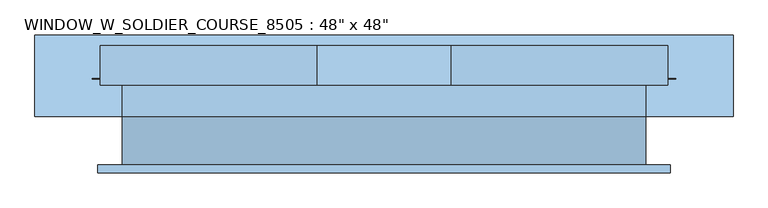
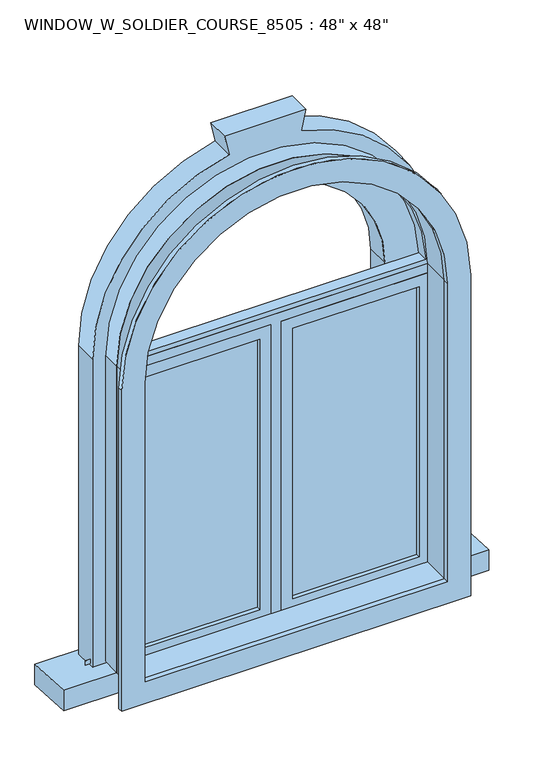
"""IFC4 building model written with IfcOpenShell, lengths in millimetres: window geometry."""

import ifcopenshell
import ifcopenshell.guid

model = None  # the IFC model being written
_history = None  # IfcOwnerHistory: only IFC2X3 demands one
_inside = {}  # id of a spatial element -> (the spatial element, [elements in it])
_under = {}  # id of a project, library or spatial element -> (it, [spatial elements below it])
_declared = {}  # id of a project -> (the project, [libraries it declares])
_typed = {}  # id of a type object -> (the type object, [elements of that type])
_made_of = {}  # id of a material, layer set ... -> (it, [elements and type objects made of it])


def new_model(schema):
    """Start an empty IFC model of exactly this schema.

    Asked for "IFC4X3", IfcOpenShell would pick the latest addendum, in which some entities
    have other attributes; the version numbers below select the first issue.
    IFC2X3 requires an IfcOwnerHistory on every rooted entity: one is made here for all.
    """
    global model, _history
    if schema == "IFC4X3":
        model = ifcopenshell.file(schema_version=(4, 3, 0, 0))
    else:
        model = ifcopenshell.file(schema=schema)
    _inside.clear()
    _under.clear()
    _declared.clear()
    _typed.clear()
    _made_of.clear()
    _history = None
    if model.schema == "IFC2X3":
        org = make("IfcOrganization", Name="unknown")
        user = make(
            "IfcPersonAndOrganization",
            ThePerson=make("IfcPerson", FamilyName="unknown"),
            TheOrganization=org,
        )
        app = make(
            "IfcApplication",
            ApplicationDeveloper=org,
            Version="unknown",
            ApplicationFullName="unknown",
            ApplicationIdentifier="unknown",
        )
        _history = make(
            "IfcOwnerHistory",
            OwningUser=user,
            OwningApplication=app,
            ChangeAction="ADDED",
            CreationDate=0,
        )
    return model


def make(cls, **values):
    """One entity of the class cls with the attributes given. An attribute that is None is left unset."""
    return model.create_entity(
        cls, **{name: value for name, value in values.items() if value is not None}
    )


def rooted(cls, **values):
    """An entity with a GlobalId (a new one), such as an element, a storey or a relation."""
    return make(cls, GlobalId=ifcopenshell.guid.new(), OwnerHistory=_history, **values)


def si_unit(unit_type, name, prefix=None):
    """IfcSIUnit, for example si_unit("LENGTHUNIT", "METRE", prefix="MILLI")."""
    return make("IfcSIUnit", UnitType=unit_type, Prefix=prefix, Name=name)


def assignment(units):
    """IfcUnitAssignment: the units of a project."""
    return None if units is None else make("IfcUnitAssignment", Units=units)


def point(xyz):
    """IfcCartesianPoint."""
    return None if xyz is None else make("IfcCartesianPoint", Coordinates=xyz)


def direction(xyz):
    """IfcDirection."""
    return None if xyz is None else make("IfcDirection", DirectionRatios=xyz)


def frame(location, z_axis=None, x_axis=None):
    """IfcAxis2Placement3D, a coordinate frame: its origin and axes. An axis left out is left unset."""
    return make(
        "IfcAxis2Placement3D",
        Location=point(location),
        Axis=direction(z_axis),
        RefDirection=direction(x_axis),
    )


def frame_2d(location, x_axis=None):
    """IfcAxis2Placement2D, a coordinate frame in the plane: its origin and x axis."""
    return make(
        "IfcAxis2Placement2D", Location=point(location), RefDirection=direction(x_axis)
    )


def origin():
    """The frame at (0, 0, 0) with its axes left unset."""
    return frame((0.0, 0.0, 0.0))


def place(relative_to, where):
    """IfcLocalPlacement: puts the frame where relative to a parent placement (None: the world)."""
    return make(
        "IfcLocalPlacement", PlacementRelTo=relative_to, RelativePlacement=where
    )


def context(
    kind, dimensions, precision=None, world=None, true_north=None, identifier=None
):
    """IfcGeometricRepresentationContext, for example the 3D "Model" context."""
    return make(
        "IfcGeometricRepresentationContext",
        ContextIdentifier=identifier,
        ContextType=kind,
        CoordinateSpaceDimension=dimensions,
        Precision=precision,
        WorldCoordinateSystem=world,
        TrueNorth=true_north,
    )


def project(units=None, contexts=None):
    """IfcProject with its units and contexts."""
    return rooted(
        "IfcProject",
        Name="project",
        RepresentationContexts=contexts,
        UnitsInContext=assignment(units),
    )


def spatial(cls, under=None, at=None, **own):
    """A site, building, storey or space (cls), placed at a placement, below another one or the project."""
    s = rooted(cls, ObjectPlacement=at, **own)
    if under is not None:
        _under.setdefault(under.id(), (under, []))[1].append(s)
    return s


def polyline(points):
    """IfcPolyline through the points."""
    return make("IfcPolyline", Points=[point(p) for p in points])


def circle_curve(where, radius):
    """IfcCircle in the frame where."""
    return make("IfcCircle", Position=where, Radius=radius)


def trimmed(basis, trim1, trim2, sense, master):
    """IfcTrimmedCurve: the piece of a basis curve between two trims."""
    return make(
        "IfcTrimmedCurve",
        BasisCurve=basis,
        Trim1=trim1,
        Trim2=trim2,
        SenseAgreement=sense,
        MasterRepresentation=master,
    )


def segment(curve, same_sense, transition):
    """IfcCompositeCurveSegment."""
    return make(
        "IfcCompositeCurveSegment",
        Transition=transition,
        SameSense=same_sense,
        ParentCurve=curve,
    )


def composite_curve(segments, self_intersect=None):
    """IfcCompositeCurve: segments joined end to end."""
    return make("IfcCompositeCurve", Segments=segments, SelfIntersect=self_intersect)


def outline(outer, holes=None, kind="AREA"):
    """IfcArbitraryClosedProfileDef: a profile drawn as a closed curve; with holes, ...WithVoids."""
    if holes is None:
        return make("IfcArbitraryClosedProfileDef", ProfileType=kind, OuterCurve=outer)
    return make(
        "IfcArbitraryProfileDefWithVoids",
        ProfileType=kind,
        OuterCurve=outer,
        InnerCurves=holes,
    )


def extrude(swept, where, along, depth):
    """IfcExtrudedAreaSolid: the profile swept, set in the frame where, extruded along a direction by depth."""
    return make(
        "IfcExtrudedAreaSolid",
        SweptArea=swept,
        Position=where,
        ExtrudedDirection=direction(along),
        Depth=depth,
    )


def shape(context_of_items, identifier, shape_type, items):
    """IfcShapeRepresentation: the items that make up one representation, for example the "Body"."""
    return make(
        "IfcShapeRepresentation",
        ContextOfItems=context_of_items,
        RepresentationIdentifier=identifier,
        RepresentationType=shape_type,
        Items=items,
    )


def source(mapping_origin, context_of_items, identifier, shape_type, items):
    """IfcRepresentationMap: a shape defined once, which mapped items show again and again."""
    return make(
        "IfcRepresentationMap",
        MappingOrigin=mapping_origin,
        MappedRepresentation=shape(context_of_items, identifier, shape_type, items),
    )


def transform(
    local_origin,
    x_axis=None,
    y_axis=None,
    z_axis=None,
    scale=None,
    scale2=None,
    scale3=None,
    uniform=True,
):
    """IfcCartesianTransformationOperator3D, or its non-uniform kind. x_axis, y_axis, z_axis: its Axis1, 2, 3."""
    if uniform:
        return make(
            "IfcCartesianTransformationOperator3D",
            Axis1=direction(x_axis),
            Axis2=direction(y_axis),
            LocalOrigin=point(local_origin),
            Scale=scale,
            Axis3=direction(z_axis),
        )
    return make(
        "IfcCartesianTransformationOperator3DnonUniform",
        Axis1=direction(x_axis),
        Axis2=direction(y_axis),
        LocalOrigin=point(local_origin),
        Scale=scale,
        Axis3=direction(z_axis),
        Scale2=scale2,
        Scale3=scale3,
    )


def mapped(mapping_source, mapping_target):
    """IfcMappedItem: shows the shape of a source again, moved by a transform."""
    return make(
        "IfcMappedItem", MappingSource=mapping_source, MappingTarget=mapping_target
    )


def made_of(thing, what):
    """Note that an element or type object is made of a material, layer set ...; save() writes the relation."""
    if what is not None:
        _made_of.setdefault(what.id(), (what, []))[1].append(thing)
    return thing


def element(
    cls,
    number,
    at=None,
    inside=None,
    cuts=None,
    type_object=None,
    material=None,
    context=None,
    identifier="Body",
    shape_type=None,
    held_by="IfcProductDefinitionShape",
    body=None,
    shapes=None,
    **own,
):
    """One element of the class cls, such as IfcWall. Its Tag is "e" and its number.

    at: its placement. inside: the storey or other place that contains it. cuts: it is an
    opening in that element (IfcRelVoidsElement). A single representation is given by context,
    identifier, shape_type and body (its items); several are given by shapes. held_by: the class
    of the entity that holds the representations. save() writes the other relations.
    """
    e = rooted(cls, Tag="e%d" % number, ObjectPlacement=at, **own)
    if body is not None:
        shapes = [shape(context, identifier, shape_type, body)]
    if shapes is not None:
        e.Representation = make(held_by, Representations=shapes)
    if inside is not None:
        _inside.setdefault(inside.id(), (inside, []))[1].append(e)
    if cuts is not None:
        rooted(
            "IfcRelVoidsElement", RelatingBuildingElement=cuts, RelatedOpeningElement=e
        )
    if type_object is not None:
        _typed.setdefault(type_object.id(), (type_object, []))[1].append(e)
    return made_of(e, material)


def aggregate(whole, parts):
    """IfcRelAggregates: a whole, such as a stair, and the parts it consists of."""
    return rooted("IfcRelAggregates", RelatingObject=whole, RelatedObjects=parts)


def save(model, path):
    """Write the relations noted so far, then the file.

    IfcRelAggregates (storeys below a building ...), IfcRelContainedInSpatialStructure (elements
    in a storey), IfcRelDefinesByType, IfcRelAssociatesMaterial and IfcRelDeclares: one each for
    every whole, place, type object, material and project.
    """
    for whole, parts in _under.values():
        aggregate(whole, parts)
    for where, things in _inside.values():
        rooted(
            "IfcRelContainedInSpatialStructure",
            RelatedElements=things,
            RelatingStructure=where,
        )
    for kind, things in _typed.values():
        rooted("IfcRelDefinesByType", RelatedObjects=things, RelatingType=kind)
    for what, things in _made_of.values():
        rooted("IfcRelAssociatesMaterial", RelatedObjects=things, RelatingMaterial=what)
    for by, libraries in _declared.values():
        rooted("IfcRelDeclares", RelatingContext=by, RelatedDefinitions=libraries)
    model.write(path)


def window_e7abb76d(model_context):
    return source(origin(), model_context, "Body", "SweptSolid", [
        extrude(outline(composite_curve([segment(polyline([(2152.65, -658.7478419), (857.25, -658.7478419), (857.25, 674.7521581), (2152.65, 674.7521581)]), True, "CONTINUOUS"), segment(trimmed(circle_curve(frame_2d((2152.65, 8.0021581)), 666.75), [point((2152.65, 674.7521581))], [point((2152.65, -658.7478419))], False, "CARTESIAN"), True, "CONTINUOUS")], self_intersect=False), holes=[composite_curve([segment(trimmed(circle_curve(frame_2d((2152.65, 8.0021581)), 577.85), [point((2152.65, -569.8478419))], [point((2152.65, 585.8521581))], True, "CARTESIAN"), True, "CONTINUOUS"), segment(polyline([(2152.65, 585.8521581), (946.15, 585.8521581), (946.15, -569.8478419), (2152.65, -569.8478419)]), True, "CONTINUOUS")], self_intersect=False)]), frame((0.0, -119.05, 0.0), z_axis=(0.0, 1.0, 0.0), x_axis=(0.0, 0.0, 1.0)), (0.0, 0.0, 1.0), 19.05),
        extrude(outline(composite_curve([segment(trimmed(circle_curve(frame_2d((2152.65, 8.0021581)), 590.55), [point((2152.65, 598.5521581))], [point((2152.65, -582.5478419))], False, "CARTESIAN"), True, "CONTINUOUS"), segment(polyline([(2152.65, -582.5478419), (2152.65, 598.5521581)]), True, "CONTINUOUS")], self_intersect=False), holes=[composite_curve([segment(polyline([(2171.6999995, 579.1845698), (2171.6999995, -563.1802537)]), True, "CONTINUOUS"), segment(trimmed(circle_curve(frame_2d((2152.65, 8.0021581)), 571.5), [point((2171.6999995, -563.1802537))], [point((2171.6999995, 579.1845698))], True, "CARTESIAN"), True, "CONTINUOUS")], self_intersect=False)]), frame((0.0, 12.7, 0.0), z_axis=(0.0, 1.0, 0.0), x_axis=(0.0, 0.0, 1.0)), (0.0, 0.0, 1.0), 44.45),
        extrude(outline(composite_curve([segment(polyline([(914.4, -601.5978419), (914.4, 617.6021581), (2152.65, 617.6021581)]), True, "CONTINUOUS"), segment(trimmed(circle_curve(frame_2d((2152.65, 8.0021581)), 609.6), [point((2152.65, 617.6021581))], [point((2152.65, -601.5978419))], False, "CARTESIAN"), True, "CONTINUOUS"), segment(polyline([(2152.65, -601.5978419), (914.4, -601.5978419)]), True, "CONTINUOUS")], self_intersect=False), holes=[composite_curve([segment(polyline([(933.45, -582.5478419), (2152.65, -582.5478419)]), True, "CONTINUOUS"), segment(trimmed(circle_curve(frame_2d((2152.65, 8.0021581)), 590.55), [point((2152.65, -582.5478419))], [point((2152.65, 598.5521581))], True, "CARTESIAN"), True, "CONTINUOUS"), segment(polyline([(2152.65, 598.5521581), (933.45, 598.5521581), (933.45, -582.5478419)]), True, "CONTINUOUS")], self_intersect=False)]), frame((0.0, 12.7, 0.0), z_axis=(0.0, 1.0, 0.0), x_axis=(0.0, 0.0, 1.0)), (0.0, 0.0, 1.0), 87.3),
        extrude(outline(polyline([(71.5021581, 41.275), (554.1021581, 41.275), (554.1021581, 28.575), (71.5021581, 28.575), (71.5021581, 41.275)])), frame((0.0, 0.0, 977.9), z_axis=(0.0, 0.0, 1.0), x_axis=(1.0, 0.0, 0.0)), (0.0, 0.0, 1.0), 1092.2),
        extrude(outline(polyline([(2114.55, 27.0521581), (933.45, 27.0521581), (933.45, 598.5521581), (2114.55, 598.5521581), (2114.55, 27.0521581)]), holes=[polyline([(2070.1, 71.5021581), (2070.1, 554.1021581), (977.9, 554.1021581), (977.9, 71.5021581), (2070.1, 71.5021581)])]), frame((0.0, 12.7, 0.0), z_axis=(0.0, 1.0, 0.0), x_axis=(0.0, 0.0, 1.0)), (0.0, 0.0, 1.0), 44.45),
        extrude(outline(polyline([(933.45, -11.0478419), (933.45, 27.0521581), (2114.55, 27.0521581), (2114.55, 598.5521581), (2152.65, 598.5521581), (2152.65, -582.5478419), (2114.55, -582.5478419), (2114.55, -11.0478419), (933.45, -11.0478419)])), frame((0.0, 12.7, 0.0), z_axis=(0.0, 1.0, 0.0), x_axis=(0.0, 0.0, 1.0)), (0.0, 0.0, 1.0), 63.5),
        extrude(outline(polyline([(-671.4478419, 101.6), (687.4521581, 101.6), (687.4521581, 100.0), (-671.4478419, 100.0), (-671.4478419, 101.6)])), frame((0.0, 0.0, 914.4), z_axis=(0.0, 0.0, 1.0), x_axis=(1.0, 0.0, 0.0)), (0.0, 0.0, 1.0), 19.05),
        extrude(outline(polyline([(-55.4978419, 28.575), (-538.0978419, 28.575), (-538.0978419, 41.275), (-55.4978419, 41.275), (-55.4978419, 28.575)])), frame((0.0, 0.0, 977.9), z_axis=(0.0, 0.0, 1.0), x_axis=(1.0, 0.0, 0.0)), (0.0, 0.0, 1.0), 1092.2),
        extrude(outline(polyline([(2114.55, -582.5478419), (933.45, -582.5478419), (933.45, -11.0478419), (2114.55, -11.0478419), (2114.55, -582.5478419)]), holes=[polyline([(2070.1, -538.0978419), (2070.1, -55.4978419), (977.9, -55.4978419), (977.9, -538.0978419), (2070.1, -538.0978419)])]), frame((0.0, 12.7, 0.0), z_axis=(0.0, 1.0, 0.0), x_axis=(0.0, 0.0, 1.0)), (0.0, 0.0, 1.0), 44.45),
        extrude(outline(composite_curve([segment(polyline([(914.4, 617.6021581), (2152.65, 617.6021581)]), True, "CONTINUOUS"), segment(trimmed(circle_curve(frame_2d((2152.65, 8.0021581)), 609.6), [point((2152.65, 617.6021581))], [point((2152.65, -601.5978419))], False, "CARTESIAN"), True, "CONTINUOUS"), segment(polyline([(2152.65, -601.5978419), (914.4, -601.5978419), (914.4, 617.6021581)]), True, "CONTINUOUS")], self_intersect=False), holes=[composite_curve([segment(polyline([(946.15, 585.8521581), (946.15, -569.8478419), (2152.65, -569.8478419)]), True, "CONTINUOUS"), segment(trimmed(circle_curve(frame_2d((2152.65, 8.0021581)), 577.85), [point((2152.65, -569.8478419))], [point((2152.65, 585.8521581))], True, "CARTESIAN"), True, "CONTINUOUS"), segment(polyline([(2152.65, 585.8521581), (946.15, 585.8521581)]), True, "CONTINUOUS")], self_intersect=False)]), frame((0.0, -100.0, 0.0), z_axis=(0.0, 1.0, 0.0), x_axis=(0.0, 0.0, 1.0)), (0.0, 0.0, 1.0), 112.7),
        extrude(outline(polyline([(12.7, 913.0688424), (203.2, 903.0851605), (203.2, 820.5351605), (12.7, 830.5188424), (12.7, 913.0688424)])), frame((-804.7978419, 0.0, 0.0), z_axis=(1.0, 0.0, 0.0), x_axis=(0.0, 1.0, 0.0)), (0.0, 0.0, 1.0), 1625.6),
        extrude(outline(composite_curve([segment(polyline([(904.7491074, 465.2021581), (904.7491074, 668.4021581), (2152.65, 668.4021581)]), True, "CONTINUOUS"), segment(trimmed(circle_curve(frame_2d((2152.65, 8.0021581)), 660.4), [point((2152.65, 668.4021581))], [point((2798.3681062, 146.4806306))], False, "CARTESIAN"), True, "CONTINUOUS"), segment(polyline([(2798.3681062, 146.4806306), (2878.2880453, 163.6199844), (2878.2880453, -147.6156682), (2798.3681062, -130.4763144)]), True, "CONTINUOUS"), segment(trimmed(circle_curve(frame_2d((2152.65, 8.0021581)), 660.4), [point((2798.3681062, -130.4763144))], [point((2152.65, -652.3978419))], False, "CARTESIAN"), True, "CONTINUOUS"), segment(polyline([(2152.65, -652.3978419), (903.0851605, -652.3978419), (903.0851605, -449.1978419), (2152.65, -449.1978419)]), True, "CONTINUOUS"), segment(trimmed(circle_curve(frame_2d((2152.65, 8.0021581)), 457.2), [point((2152.65, -449.1978419))], [point((2152.65, 465.2021581))], True, "CARTESIAN"), True, "CONTINUOUS"), segment(polyline([(2152.65, 465.2021581), (904.7491074, 465.2021581)]), True, "CONTINUOUS")], self_intersect=False)), frame((0.0, 85.725, 0.0), z_axis=(0.0, 1.0, 0.0), x_axis=(0.0, 0.0, 1.0)), (0.0, 0.0, 1.0), 92.075),
    ])


if __name__ == "__main__":
    model = new_model("IFC4")
    model_context = context("Model", 3, world=origin())
    ifc_project = project(units=[si_unit("LENGTHUNIT", "METRE", prefix="MILLI")], contexts=[model_context])
    site = spatial("IfcSite", under=ifc_project)
    building = spatial("IfcBuilding", under=site)
    placement = place(None, origin())
    window_shape = window_e7abb76d(model_context)
    element("IfcWindow", 1, ObjectType="WINDOW_W_SOLDIER_COURSE_8505 : 48\" x 48\"", at=placement, inside=building, context=model_context, shape_type="MappedRepresentation", body=[
        mapped(window_shape, transform((0.0, 0.0, 0.0), x_axis=(1.0, 0.0, 0.0), y_axis=(0.0, 1.0, 0.0), z_axis=(0.0, 0.0, 1.0))),
    ])
    save(model, "model.ifc")
